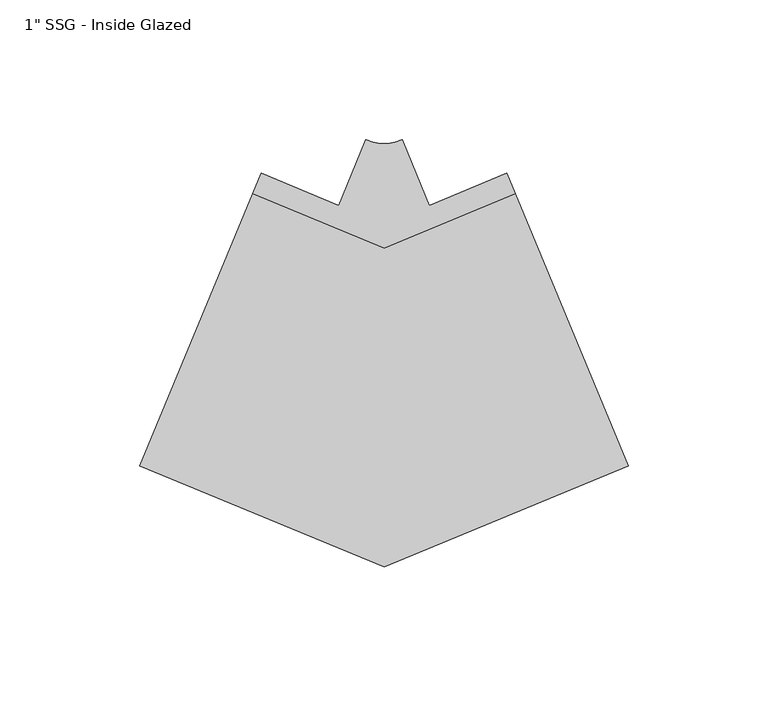
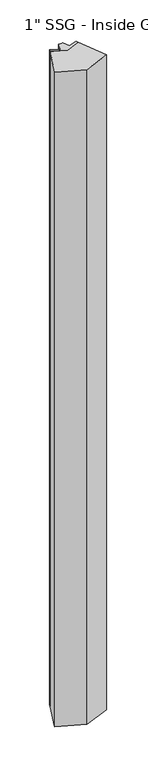
"""IFC4 building model written with IfcOpenShell, lengths in millimetres: proxy geometry."""

from ifc_helpers import new_model, si_unit, point, frame, frame_2d, origin, place, context, project, spatial, polyline, circle_curve, trimmed, segment, composite_curve, outline, extrude, source, transform, mapped, element, save


def proxy_f4c29ae0(model_context):
    return source(origin(), model_context, "Body", "SweptSolid", [
        extrude(outline(composite_curve([segment(polyline([(-43.9034048, -9.3075121), (-16.1765181, -20.7923646), (-6.4567805, 2.6743502)]), True, "CONTINUOUS"), segment(trimmed(circle_curve(frame_2d((0.0, 16.9054382)), 15.627344), [point((-6.4567805, 2.6743502))], [point((6.4567805, 2.6743502))], True, "CARTESIAN"), True, "CONTINUOUS"), segment(polyline([(6.4567805, 2.6743502), (16.1765181, -20.7923646), (43.9036111, -9.3080101), (46.9330803, -16.6217956), (0.0011923, -36.0616201), (-46.9330803, -16.6217956), (-43.9034048, -9.3075121)]), True, "CONTINUOUS")], self_intersect=False)), frame((0.0, 0.0, 63.5), z_axis=(0.0, 0.0, 1.0), x_axis=(1.0, 0.0, 0.0)), (0.0, 0.0, 1.0), 2324.1),
        extrude(outline(polyline([(-46.9330803, -16.6217956), (0.0011923, -36.0616201), (46.9330803, -16.6217956), (87.2717409, -114.0079372), (0.0, -150.1570758), (-87.2717409, -114.0079372), (-46.9330803, -16.6217956)])), frame((0.0, 0.0, 63.5), z_axis=(0.0, 0.0, 1.0), x_axis=(1.0, 0.0, 0.0)), (0.0, 0.0, 1.0), 2324.1),
    ])


if __name__ == "__main__":
    model = new_model("IFC4")
    model_context = context("Model", 3, world=origin())
    ifc_project = project(units=[si_unit("LENGTHUNIT", "METRE", prefix="MILLI")], contexts=[model_context])
    site = spatial("IfcSite", under=ifc_project)
    building = spatial("IfcBuilding", under=site)
    placement = place(None, origin())
    proxy_shape = proxy_f4c29ae0(model_context)
    element("IfcBuildingElementProxy", 1, Name="1\" SSG - Inside Glazed", ObjectType="1\" SSG - Inside Glazed", at=placement, inside=building, context=model_context, shape_type="MappedRepresentation", body=[
        mapped(proxy_shape, transform((0.0, 0.0, 0.0), x_axis=(1.0, 0.0, 0.0), y_axis=(0.0, 1.0, 0.0), z_axis=(0.0, 0.0, 1.0))),
    ])
    save(model, "model.ifc")
